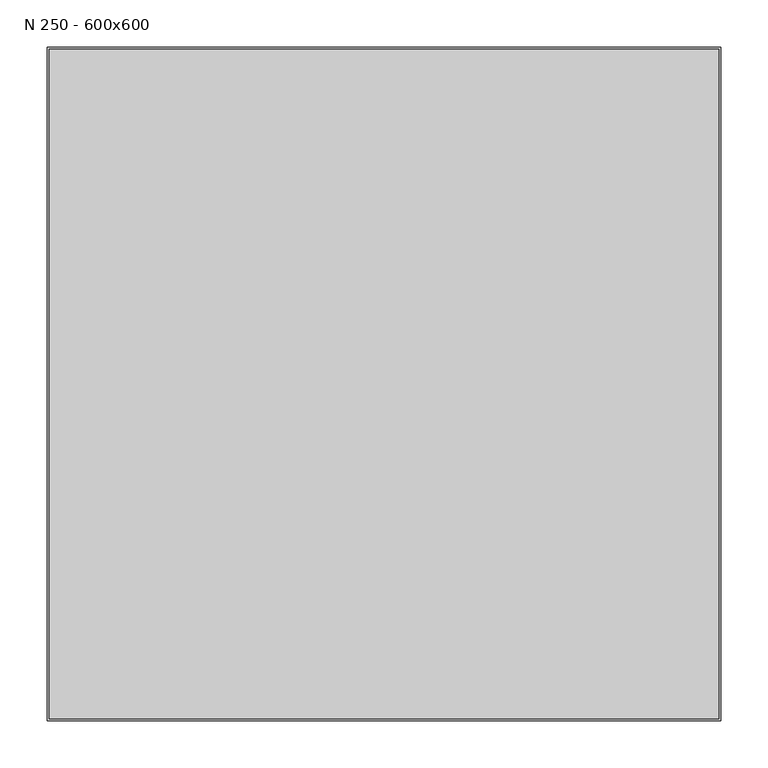
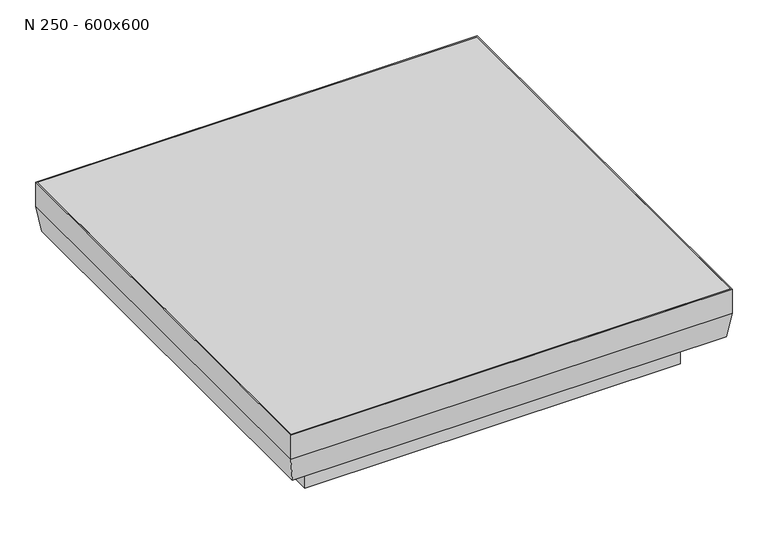
"""IFC4 building model written with IfcOpenShell, lengths in millimetres: proxy geometry, N 250 - 600x600."""

from ifc_helpers import new_model, si_unit, frame, origin, place, context, project, spatial, polyline, outline, extrude, faceted_brep, source, transform, mapped, element, save


def n_250_600x600_490f5d89(model_context):
    return source(origin(), model_context, "Body", "SolidModel", [
        extrude(outline(polyline([(288.0, 288.0), (288.0, -288.0), (-288.0, -288.0), (-288.0, 288.0), (288.0, 288.0)])), frame((0.0, 0.0, -137.0), z_axis=(0.0, 0.0, 1.0), x_axis=(1.0, 0.0, 0.0)), (0.0, 0.0, 1.0), 27.0),
        faceted_brep([(272.0, 272.0, -137.0), (272.0, 272.0, -139.0), (272.0, -272.0, -139.0), (272.0, -272.0, -137.0), (288.0, 288.0, -110.0), (288.0, 288.0, -137.0), (288.0, -288.0, -137.0), (288.0, -288.0, -110.0), (290.0, 290.0, -139.0), (290.0, 290.0, -110.0), (290.0, -290.0, -110.0), (290.0, -290.0, -139.0), (-272.0, -272.0, -139.0), (-272.0, -272.0, -137.0), (-288.0, -288.0, -137.0), (-288.0, -288.0, -110.0), (-290.0, -290.0, -110.0), (-290.0, -290.0, -139.0), (-272.0, 272.0, -139.0), (-272.0, 272.0, -137.0), (-288.0, 288.0, -137.0), (-288.0, 288.0, -110.0), (-290.0, 290.0, -110.0), (-290.0, 290.0, -139.0)], [[[0, 1, 2, 3]], [[4, 5, 6, 7]], [[8, 9, 10, 11]], [[3, 2, 12, 13]], [[7, 6, 14, 15]], [[11, 10, 16, 17]], [[13, 12, 18, 19]], [[15, 14, 20, 21]], [[17, 16, 22, 23]], [[11, 17, 23, 8], [1, 18, 12, 2]], [[19, 18, 1, 0]], [[5, 20, 14, 6], [3, 13, 19, 0]], [[21, 20, 5, 4]], [[9, 22, 16, 10], [7, 15, 21, 4]], [[23, 22, 9, 8]]]),
        extrude(outline(polyline([(352.9610723, 352.9610723), (352.9610723, -352.9610723), (-352.9610723, -352.9610723), (-352.9610723, 352.9610723), (352.9610723, 352.9610723)])), frame((0.0, 0.0, -5.0), z_axis=(0.0, 0.0, 1.0), x_axis=(1.0, 0.0, 0.0)), (0.0, 0.0, 1.0), 5.0),
        faceted_brep([(352.9610723, 352.9610723, 0.0), (352.9610723, 352.9610723, -40.9168388), (352.9610723, -352.9610723, -40.9168388), (352.9610723, -352.9610723, 0.0), (354.9610723, 354.9610723, -41.0566924), (354.9610723, 354.9610723, 0.0), (354.9610723, -354.9610723, 0.0), (354.9610723, -354.9610723, -41.0566924), (-352.9610723, -352.9610723, -40.9168388), (-352.9610723, -352.9610723, 0.0), (-354.9610723, -354.9610723, 0.0), (-354.9610723, -354.9610723, -41.0566924), (-352.9610723, 352.9610723, -40.9168388), (-352.9610723, 352.9610723, 0.0), (-354.9610723, 354.9610723, 0.0), (-354.9610723, 354.9610723, -41.0566924), (347.3587115, 347.3587115, -80.5), (347.3587115, -347.3587115, -80.5), (-347.3587115, -347.3587115, -80.5), (-347.3587115, 347.3587115, -80.5), (300.0, -300.0, -80.5), (-300.0, -300.0, -80.5), (-300.0, 300.0, -80.5), (300.0, 300.0, -80.5), (349.0972849, 349.0972849, -82.5), (349.0972849, -349.0972849, -82.5), (-349.0972849, -349.0972849, -82.5), (-349.0972849, 349.0972849, -82.5), (302.0, 302.0, -82.5), (-302.0, 302.0, -82.5), (-302.0, -302.0, -82.5), (302.0, -302.0, -82.5), (302.0, 302.0, -140.5), (302.0, -302.0, -140.5), (300.0, 300.0, -140.5), (300.0, -300.0, -140.5), (-302.0, -302.0, -140.5), (-300.0, -300.0, -140.5), (-302.0, 302.0, -140.5), (-300.0, 300.0, -140.5)], [[[0, 1, 2, 3]], [[4, 5, 6, 7]], [[3, 2, 8, 9]], [[7, 6, 10, 11]], [[9, 8, 12, 13]], [[11, 10, 14, 15]], [[13, 12, 1, 0]], [[5, 14, 10, 6], [3, 9, 13, 0]], [[15, 14, 5, 4]], [[1, 16, 17, 2]], [[2, 17, 18, 8]], [[8, 18, 19, 12]], [[16, 19, 18, 17], [20, 21, 22, 23]], [[12, 19, 16, 1]], [[24, 4, 7, 25]], [[25, 7, 11, 26]], [[26, 11, 15, 27]], [[27, 15, 4, 24]], [[25, 26, 27, 24], [28, 29, 30, 31]], [[32, 28, 31, 33]], [[23, 34, 35, 20]], [[33, 31, 30, 36]], [[20, 35, 37, 21]], [[36, 30, 29, 38]], [[21, 37, 39, 22]], [[38, 29, 28, 32]], [[33, 36, 38, 32], [34, 39, 37, 35]], [[22, 39, 34, 23]]]),
        faceted_brep([(-300.0, -300.0, -82.5), (-300.0, -300.0, -80.5), (-300.0, 300.0, -80.5), (-300.0, 300.0, -82.5), (-276.2264814, -276.2264814, -110.0), (-287.786417, -287.786417, -82.5), (-287.786417, 287.786417, -82.5), (-276.2264814, 276.2264814, -110.0), (-287.0, -287.0, -80.5), (-275.2298838, -275.2298838, -108.5), (-275.2298838, 275.2298838, -108.5), (-287.0, 287.0, -80.5), (300.0, 300.0, -80.5), (300.0, 300.0, -82.5), (287.786417, 287.786417, -82.5), (276.2264814, 276.2264814, -110.0), (275.2298838, 275.2298838, -108.5), (287.0, 287.0, -80.5), (300.0, -300.0, -80.5), (300.0, -300.0, -82.5), (287.786417, -287.786417, -82.5), (276.2264814, -276.2264814, -110.0), (275.2298838, -275.2298838, -108.5), (287.0, -287.0, -80.5)], [[[0, 1, 2, 3]], [[4, 5, 6, 7]], [[8, 9, 10, 11]], [[3, 2, 12, 13]], [[7, 6, 14, 15]], [[11, 10, 16, 17]], [[13, 12, 18, 19]], [[15, 14, 20, 21]], [[17, 16, 22, 23]], [[2, 1, 18, 12], [8, 11, 17, 23]], [[1, 0, 19, 18]], [[0, 3, 13, 19], [6, 5, 20, 14]], [[5, 4, 21, 20]], [[4, 7, 15, 21]], [[10, 9, 22, 16]], [[9, 8, 23, 22]]]),
    ])


if __name__ == "__main__":
    model = new_model("IFC4")
    model_context = context("Model", 3, world=origin())
    ifc_project = project(units=[si_unit("LENGTHUNIT", "METRE", prefix="MILLI")], contexts=[model_context])
    site = spatial("IfcSite", under=ifc_project)
    building = spatial("IfcBuilding", under=site)
    placement = place(None, origin())
    n_250_600x600_shape = n_250_600x600_490f5d89(model_context)
    element("IfcBuildingElementProxy", 1, Name="N 250 - 600x600", ObjectType="N 250 - 600x600", at=placement, inside=building, context=model_context, shape_type="MappedRepresentation", body=[
        mapped(n_250_600x600_shape, transform((0.0, 0.0, 0.0), x_axis=(1.0, 0.0, 0.0), y_axis=(0.0, 1.0, 0.0), z_axis=(0.0, 0.0, 1.0))),
    ])
    save(model, "model.ifc")
